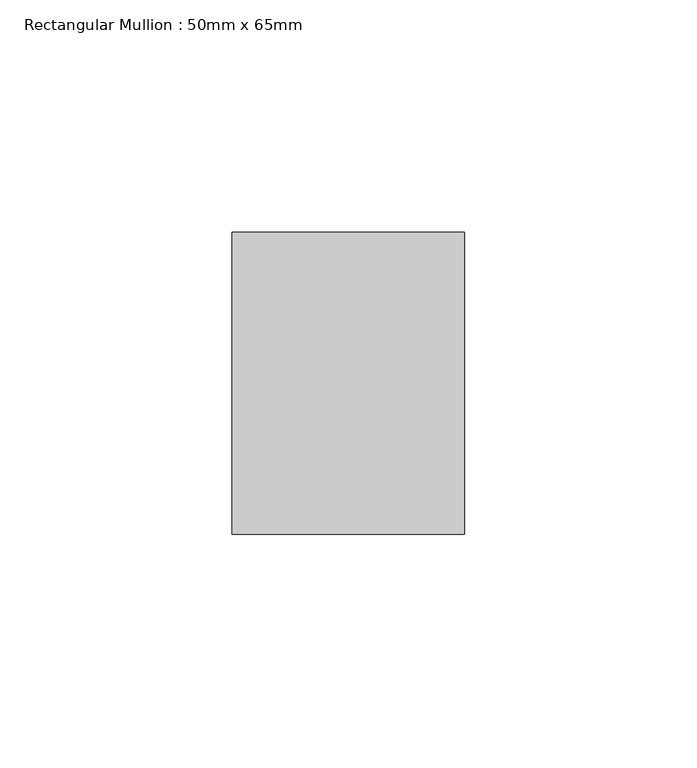
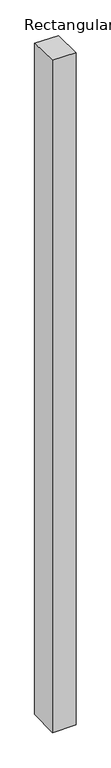
"""IFC4 building model written with IfcOpenShell, lengths in millimetres: member geometry, Rectangular Mullion : 50mm x 65mm."""

from ifc_helpers import new_model, si_unit, origin, place, context, project, spatial, faceted_brep, source, transform, mapped, element, save


def rectangular_mullion_50mm_x_65mm_3b8859c1(model_context):
    return source(origin(), model_context, "Body", "Brep", [
        faceted_brep([(-25.0, 32.5, -0.7127109), (25.0, 32.5, -0.7127048), (25.0, 32.5, -1499.1020619), (-25.0, 32.5, -1499.1020543), (-25.0, -32.5, 0.7127048), (-25.0, -32.5, -1500.8979813), (25.0, -32.5, 0.7127109), (25.0, -32.5, -1500.8979889)], [[[0, 1, 2, 3]], [[4, 0, 3, 5]], [[6, 4, 5, 7]], [[1, 6, 7, 2]], [[1, 0, 4, 6]], [[2, 7, 5, 3]]]),
    ])


if __name__ == "__main__":
    model = new_model("IFC4")
    model_context = context("Model", 3, world=origin())
    ifc_project = project(units=[si_unit("LENGTHUNIT", "METRE", prefix="MILLI")], contexts=[model_context])
    site = spatial("IfcSite", under=ifc_project)
    building = spatial("IfcBuilding", under=site)
    placement = place(None, origin())
    rectangular_mullion_50mm_x_65mm_shape = rectangular_mullion_50mm_x_65mm_3b8859c1(model_context)
    element("IfcMember", 1, ObjectType="Rectangular Mullion : 50mm x 65mm", at=placement, inside=building, context=model_context, shape_type="MappedRepresentation", body=[
        mapped(rectangular_mullion_50mm_x_65mm_shape, transform((0.0, 0.0, 0.0), x_axis=(1.0, 0.0, 0.0), y_axis=(0.0, 1.0, 0.0), z_axis=(0.0, 0.0, 1.0))),
    ])
    save(model, "model.ifc")
